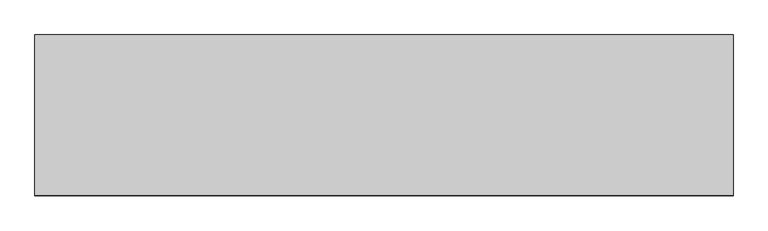
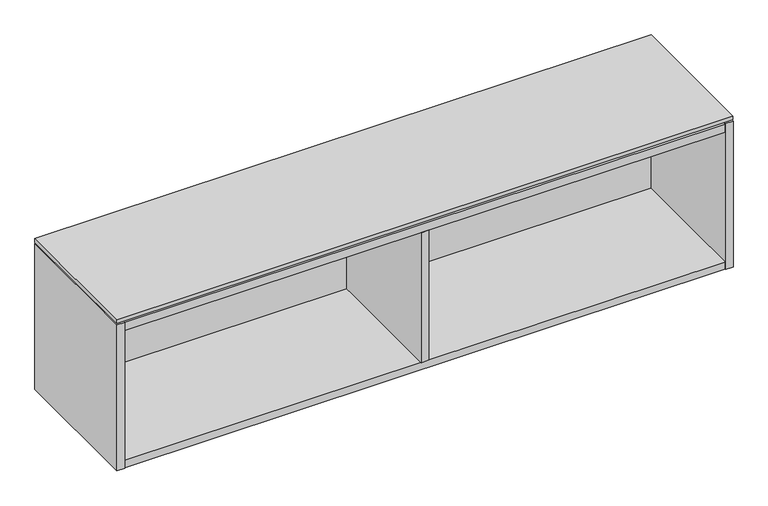
"""IFC4 building model written with IfcOpenShell, lengths in millimetres: furniture geometry."""

from ifc_helpers import new_model, si_unit, frame, origin, place, context, project, spatial, polyline, outline, extrude, faceted_brep, source, transform, mapped, element, save


def furniture_73da84af(model_context):
    return source(origin(), model_context, "Body", "SolidModel", [
        extrude(outline(polyline([(1063.8234375, -191.0115724), (-457.2, -191.0115724), (-457.2, 158.8226276), (1063.8234375, 158.8226276), (1063.8234375, -191.0115724)])), frame((0.0, 0.0, 765.302), z_axis=(0.0, 0.0, 1.0), x_axis=(1.0, 0.0, 0.0)), (0.0, 0.0, 1.0), 9.779),
        extrude(outline(polyline([(-437.896, 145.5282676), (-437.896, 158.8226276), (1044.5194375, 158.8226276), (1044.5194375, 145.5282676), (-437.896, 145.5282676)])), frame((0.0, 0.0, 664.11475), z_axis=(0.0, 0.0, 1.0), x_axis=(1.0, 0.0, 0.0)), (0.0, 0.0, 1.0), 76.2),
        extrude(outline(polyline([(312.9637187, -191.7735724), (293.6597187, -191.7735724), (293.6597187, 126.2242676), (312.9637187, 126.2242676), (312.9637187, -191.7735724)])), frame((0.0, 0.0, 401.066), z_axis=(0.0, 0.0, 1.0), x_axis=(1.0, 0.0, 0.0)), (0.0, 0.0, 1.0), 339.24875),
        faceted_brep([(1044.5194375, -191.0115724, 401.066), (-437.896, -191.0115724, 401.066), (-437.896, -191.0115724, 381.762), (1044.5194375, -191.0115724, 381.762), (-437.896, 145.5282676, 740.31475), (1044.5194375, 145.5282676, 740.31475), (1044.5194375, 145.5282676, 381.0), (-437.896, 145.5282676, 381.0), (1044.5194375, 126.2242676, 401.066), (-437.896, 126.2242676, 401.066), (-437.896, 126.2242676, 381.762), (1044.5194375, 126.2242676, 381.762), (-437.896, 158.8226276, 762.0), (-457.2, 158.8226276, 762.0), (-457.2, -191.7735724, 762.0), (-437.896, -191.7735724, 762.0), (1044.5194375, -191.7735724, 762.0), (1063.8234375, -191.7735724, 762.0), (1063.8234375, 158.8226276, 762.0), (1044.5194375, 158.8226276, 762.0), (-437.896, -191.7735724, 381.0), (-457.2, -191.7735724, 381.0), (-457.2, 158.8226276, 381.0), (-437.896, 158.8226276, 381.0), (1044.5194375, 158.8226276, 381.0), (1063.8234375, 158.8226276, 381.0), (1063.8234375, -191.7735724, 381.0), (1044.5194375, -191.7735724, 381.0), (1044.5194375, 126.2242676, 381.0), (-437.896, 126.2242676, 381.0), (-437.896, 158.8226276, 761.238), (1044.5194375, 158.8226276, 761.238), (1044.5194375, 158.8226276, 740.31475), (-437.896, 158.8226276, 740.31475), (-437.896, 126.2242676, 740.31475), (-437.896, -191.0115724, 740.31475), (-437.896, -191.0115724, 761.238), (1044.5194375, -191.0115724, 761.238), (1044.5194375, -191.0115724, 740.31475), (1044.5194375, 126.2242676, 740.31475)], [[[0, 1, 2, 3]], [[4, 5, 6, 7]], [[1, 0, 8, 9]], [[3, 2, 10, 11]], [[12, 13, 14, 15]], [[16, 17, 18, 19]], [[20, 21, 22, 23, 7, 6, 24, 25, 26, 27, 28, 29]], [[13, 12, 30, 31, 19, 18, 25, 24, 32, 33, 23, 22]], [[14, 13, 22, 21]], [[15, 14, 21, 20]], [[4, 7, 23, 33]], [[12, 15, 20, 29, 10, 2, 1, 9, 34, 35, 36, 30]], [[6, 5, 32, 24]], [[16, 19, 31, 37, 38, 39, 8, 0, 3, 11, 28, 27]], [[17, 16, 27, 26]], [[18, 17, 26, 25]], [[37, 36, 35, 38]], [[36, 37, 31, 30]], [[33, 32, 5, 4]], [[38, 35, 34, 39]], [[9, 8, 39, 34]], [[29, 28, 11, 10]]]),
    ])


if __name__ == "__main__":
    model = new_model("IFC4")
    model_context = context("Model", 3, world=origin())
    ifc_project = project(units=[si_unit("LENGTHUNIT", "METRE", prefix="MILLI")], contexts=[model_context])
    site = spatial("IfcSite", under=ifc_project)
    building = spatial("IfcBuilding", under=site)
    placement = place(None, origin())
    furniture_shape = furniture_73da84af(model_context)
    element("IfcFurniture", 1, at=placement, inside=building, context=model_context, shape_type="MappedRepresentation", body=[
        mapped(furniture_shape, transform((0.0, 0.0, 0.0), x_axis=(1.0, 0.0, 0.0), y_axis=(0.0, 1.0, 0.0), z_axis=(0.0, 0.0, 1.0))),
    ])
    save(model, "model.ifc")
